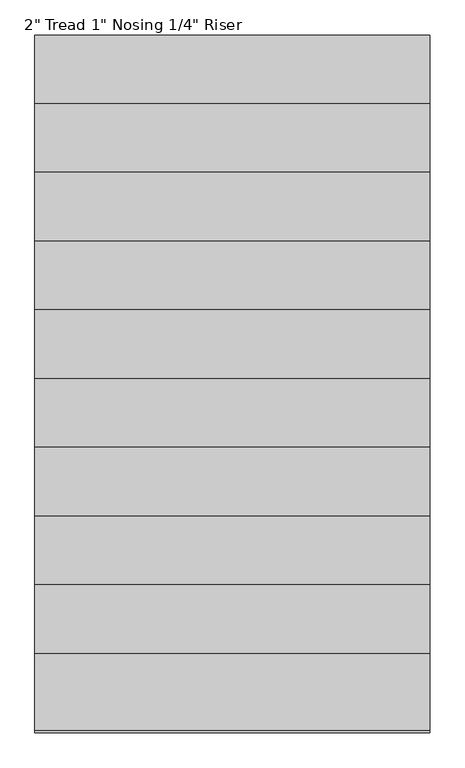
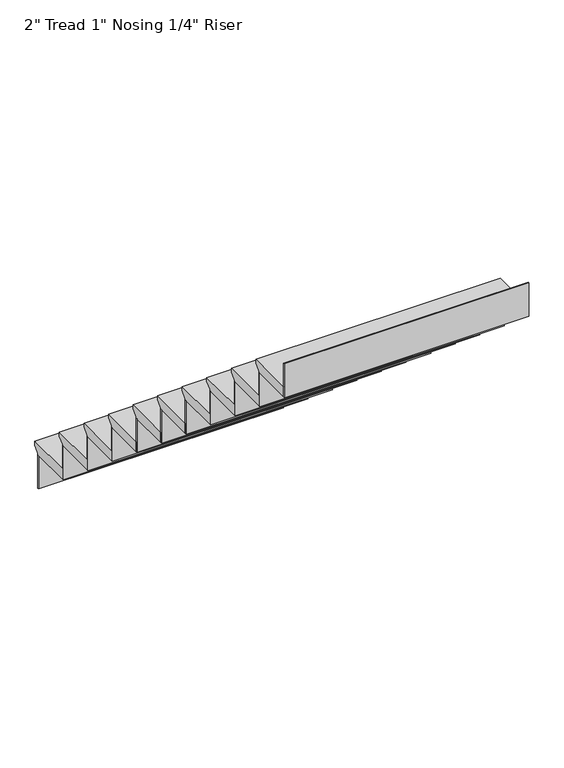
"""IFC4 building model written with IfcOpenShell, lengths in millimetres: stair flight geometry."""

from ifc_helpers import new_model, si_unit, frame, origin, place, context, project, spatial, polyline, outline, extrude, source, transform, mapped, element, save


def stair_flight_f8fa2165(model_context):
    return source(origin(), model_context, "Body", "SweptSolid", [
        extrude(outline(polyline([(3737.9919233, 1354.6666667), (3966.5919233, 1354.6666667), (3966.5919233, 1335.6166667), (3941.1919233, 1310.2166667), (3941.1919233, 1303.8666667), (3737.9919233, 1303.8666667), (3737.9919233, 1354.6666667)])), frame((-374.3262394, 0.0, 0.0), z_axis=(1.0, 0.0, 0.0), x_axis=(0.0, 1.0, 0.0)), (0.0, 0.0, 1.0), 1168.4),
        extrude(outline(polyline([(-374.3262394, 3934.8419233), (-374.3262394, 3941.1919233), (794.0737606, 3941.1919233), (794.0737606, 3934.8419233), (-374.3262394, 3934.8419233)])), frame((0.0, 0.0, 1134.5333333), z_axis=(0.0, 0.0, 1.0), x_axis=(1.0, 0.0, 0.0)), (0.0, 0.0, 1.0), 169.3333333),
        extrude(outline(polyline([(-374.3262394, 3731.6419233), (-374.3262394, 3737.9919233), (794.0737606, 3737.9919233), (794.0737606, 3731.6419233), (-374.3262394, 3731.6419233)])), frame((0.0, 0.0, 1303.8666667), z_axis=(0.0, 0.0, 1.0), x_axis=(1.0, 0.0, 0.0)), (0.0, 0.0, 1.0), 169.3333333),
        extrude(outline(polyline([(3534.7919233, 1524.0), (3763.3919233, 1524.0), (3763.3919233, 1504.95), (3737.9919233, 1479.55), (3737.9919233, 1473.2), (3534.7919233, 1473.2), (3534.7919233, 1524.0)])), frame((-374.3262394, 0.0, 0.0), z_axis=(1.0, 0.0, 0.0), x_axis=(0.0, 1.0, 0.0)), (0.0, 0.0, 1.0), 1168.4),
        extrude(outline(polyline([(-374.3262394, 3528.4419233), (-374.3262394, 3534.7919233), (794.0737606, 3534.7919233), (794.0737606, 3528.4419233), (-374.3262394, 3528.4419233)])), frame((0.0, 0.0, 1473.2), z_axis=(0.0, 0.0, 1.0), x_axis=(1.0, 0.0, 0.0)), (0.0, 0.0, 1.0), 169.3333333),
        extrude(outline(polyline([(3331.5919233, 1693.3333333), (3560.1919233, 1693.3333333), (3560.1919233, 1674.2833333), (3534.7919233, 1648.8833333), (3534.7919233, 1642.5333333), (3331.5919233, 1642.5333333), (3331.5919233, 1693.3333333)])), frame((-374.3262394, 0.0, 0.0), z_axis=(1.0, 0.0, 0.0), x_axis=(0.0, 1.0, 0.0)), (0.0, 0.0, 1.0), 1168.4),
        extrude(outline(polyline([(-374.3262394, 3325.2419233), (-374.3262394, 3331.5919233), (794.0737606, 3331.5919233), (794.0737606, 3325.2419233), (-374.3262394, 3325.2419233)])), frame((0.0, 0.0, 1642.5333333), z_axis=(0.0, 0.0, 1.0), x_axis=(1.0, 0.0, 0.0)), (0.0, 0.0, 1.0), 169.3333333),
        extrude(outline(polyline([(3128.3919233, 1862.6666667), (3356.9919233, 1862.6666667), (3356.9919233, 1843.6166667), (3331.5919233, 1818.2166667), (3331.5919233, 1811.8666667), (3128.3919233, 1811.8666667), (3128.3919233, 1862.6666667)])), frame((-374.3262394, 0.0, 0.0), z_axis=(1.0, 0.0, 0.0), x_axis=(0.0, 1.0, 0.0)), (0.0, 0.0, 1.0), 1168.4),
        extrude(outline(polyline([(-374.3262394, 3122.0419233), (-374.3262394, 3128.3919233), (794.0737606, 3128.3919233), (794.0737606, 3122.0419233), (-374.3262394, 3122.0419233)])), frame((0.0, 0.0, 1811.8666667), z_axis=(0.0, 0.0, 1.0), x_axis=(1.0, 0.0, 0.0)), (0.0, 0.0, 1.0), 169.3333333),
        extrude(outline(polyline([(2925.1919233, 2032.0), (3153.7919233, 2032.0), (3153.7919233, 2012.95), (3128.3919233, 1987.55), (3128.3919233, 1981.2), (2925.1919233, 1981.2), (2925.1919233, 2032.0)])), frame((-374.3262394, 0.0, 0.0), z_axis=(1.0, 0.0, 0.0), x_axis=(0.0, 1.0, 0.0)), (0.0, 0.0, 1.0), 1168.4),
        extrude(outline(polyline([(-374.3262394, 2918.8419233), (-374.3262394, 2925.1919233), (794.0737606, 2925.1919233), (794.0737606, 2918.8419233), (-374.3262394, 2918.8419233)])), frame((0.0, 0.0, 1981.2), z_axis=(0.0, 0.0, 1.0), x_axis=(1.0, 0.0, 0.0)), (0.0, 0.0, 1.0), 169.3333333),
        extrude(outline(polyline([(2721.9919233, 2201.3333333), (2950.5919233, 2201.3333333), (2950.5919233, 2182.2833333), (2925.1919233, 2156.8833333), (2925.1919233, 2150.5333333), (2721.9919233, 2150.5333333), (2721.9919233, 2201.3333333)])), frame((-374.3262394, 0.0, 0.0), z_axis=(1.0, 0.0, 0.0), x_axis=(0.0, 1.0, 0.0)), (0.0, 0.0, 1.0), 1168.4),
        extrude(outline(polyline([(-374.3262394, 2715.6419233), (-374.3262394, 2721.9919233), (794.0737606, 2721.9919233), (794.0737606, 2715.6419233), (-374.3262394, 2715.6419233)])), frame((0.0, 0.0, 2150.5333333), z_axis=(0.0, 0.0, 1.0), x_axis=(1.0, 0.0, 0.0)), (0.0, 0.0, 1.0), 169.3333333),
        extrude(outline(polyline([(2518.7919233, 2370.6666667), (2747.3919233, 2370.6666667), (2747.3919233, 2351.6166667), (2721.9919233, 2326.2166667), (2721.9919233, 2319.8666667), (2518.7919233, 2319.8666667), (2518.7919233, 2370.6666667)])), frame((-374.3262394, 0.0, 0.0), z_axis=(1.0, 0.0, 0.0), x_axis=(0.0, 1.0, 0.0)), (0.0, 0.0, 1.0), 1168.4),
        extrude(outline(polyline([(-374.3262394, 2512.4419233), (-374.3262394, 2518.7919233), (794.0737606, 2518.7919233), (794.0737606, 2512.4419233), (-374.3262394, 2512.4419233)])), frame((0.0, 0.0, 2319.8666667), z_axis=(0.0, 0.0, 1.0), x_axis=(1.0, 0.0, 0.0)), (0.0, 0.0, 1.0), 169.3333333),
        extrude(outline(polyline([(2315.5919233, 2540.0), (2544.1919233, 2540.0), (2544.1919233, 2520.95), (2518.7919233, 2495.55), (2518.7919233, 2489.2), (2315.5919233, 2489.2), (2315.5919233, 2540.0)])), frame((-374.3262394, 0.0, 0.0), z_axis=(1.0, 0.0, 0.0), x_axis=(0.0, 1.0, 0.0)), (0.0, 0.0, 1.0), 1168.4),
        extrude(outline(polyline([(-374.3262394, 2309.2419233), (-374.3262394, 2315.5919233), (794.0737606, 2315.5919233), (794.0737606, 2309.2419233), (-374.3262394, 2309.2419233)])), frame((0.0, 0.0, 2489.2), z_axis=(0.0, 0.0, 1.0), x_axis=(1.0, 0.0, 0.0)), (0.0, 0.0, 1.0), 169.3333333),
        extrude(outline(polyline([(2112.3919233, 2709.3333333), (2340.9919233, 2709.3333333), (2340.9919233, 2690.2833333), (2315.5919233, 2664.8833333), (2315.5919233, 2658.5333333), (2112.3919233, 2658.5333333), (2112.3919233, 2709.3333333)])), frame((-374.3262394, 0.0, 0.0), z_axis=(1.0, 0.0, 0.0), x_axis=(0.0, 1.0, 0.0)), (0.0, 0.0, 1.0), 1168.4),
        extrude(outline(polyline([(-374.3262394, 2106.0419233), (-374.3262394, 2112.3919233), (794.0737606, 2112.3919233), (794.0737606, 2106.0419233), (-374.3262394, 2106.0419233)])), frame((0.0, 0.0, 2658.5333333), z_axis=(0.0, 0.0, 1.0), x_axis=(1.0, 0.0, 0.0)), (0.0, 0.0, 1.0), 169.3333333),
        extrude(outline(polyline([(-374.3262394, 1902.8419233), (-374.3262394, 1909.1919233), (794.0737606, 1909.1919233), (794.0737606, 1902.8419233), (-374.3262394, 1902.8419233)])), frame((0.0, 0.0, 2827.8666667), z_axis=(0.0, 0.0, 1.0), x_axis=(1.0, 0.0, 0.0)), (0.0, 0.0, 1.0), 169.3333333),
        extrude(outline(polyline([(1909.1919233, 2878.6666667), (2137.7919233, 2878.6666667), (2137.7919233, 2859.6166667), (2112.3919233, 2834.2166667), (2112.3919233, 2827.8666667), (1909.1919233, 2827.8666667), (1909.1919233, 2878.6666667)])), frame((-374.3262394, 0.0, 0.0), z_axis=(1.0, 0.0, 0.0), x_axis=(0.0, 1.0, 0.0)), (0.0, 0.0, 1.0), 1168.4),
    ])


if __name__ == "__main__":
    model = new_model("IFC4")
    model_context = context("Model", 3, world=origin())
    ifc_project = project(units=[si_unit("LENGTHUNIT", "METRE", prefix="MILLI")], contexts=[model_context])
    site = spatial("IfcSite", under=ifc_project)
    building = spatial("IfcBuilding", under=site)
    placement = place(None, origin())
    stair_flight_shape = stair_flight_f8fa2165(model_context)
    element("IfcStairFlight", 1, ObjectType="2\" Tread 1\" Nosing 1/4\" Riser", at=placement, inside=building, context=model_context, shape_type="MappedRepresentation", body=[
        mapped(stair_flight_shape, transform((0.0, 0.0, 0.0), x_axis=(1.0, 0.0, 0.0), y_axis=(0.0, 1.0, 0.0), z_axis=(0.0, 0.0, 1.0))),
    ])
    save(model, "model.ifc")
